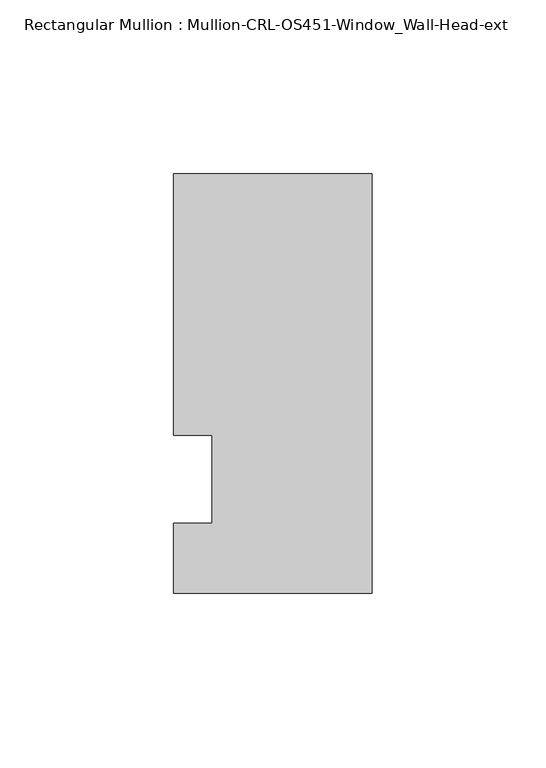
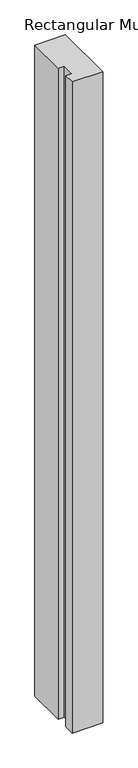
"""IFC4 building model written with IfcOpenShell, lengths in millimetres: member geometry, Rectangular Mullion : Mullion-CRL-OS451-Window_Wall-Head-ext."""

from ifc_helpers import new_model, si_unit, frame, origin, place, context, project, spatial, polyline, outline, extrude, source, transform, mapped, element, save


def rectangular_mullion_mullion_crl_os451_window_wall_head_ext_60bd685a(model_context):
    return source(origin(), model_context, "Body", "SweptSolid", [
        extrude(outline(polyline([(-57.1500484, 12.7), (-57.1500484, 87.8980886), (0.0, 87.8980886), (0.0, -32.9043114), (-57.1500484, -32.9043114), (-57.1500484, -12.7), (-46.0286759, -12.7), (-46.0286759, 12.7), (-57.1500484, 12.7)])), frame((0.0, 0.0, -1290.1083332), z_axis=(0.0, 0.0, 1.0), x_axis=(1.0, 0.0, 0.0)), (0.0, 0.0, 1.0), 1290.1083332),
    ])


if __name__ == "__main__":
    model = new_model("IFC4")
    model_context = context("Model", 3, world=origin())
    ifc_project = project(units=[si_unit("LENGTHUNIT", "METRE", prefix="MILLI")], contexts=[model_context])
    site = spatial("IfcSite", under=ifc_project)
    building = spatial("IfcBuilding", under=site)
    placement = place(None, origin())
    rectangular_mullion_mullion_crl_os451_window_wall_head_ext_shape = rectangular_mullion_mullion_crl_os451_window_wall_head_ext_60bd685a(model_context)
    element("IfcMember", 1, ObjectType="Rectangular Mullion : Mullion-CRL-OS451-Window_Wall-Head-ext", at=placement, inside=building, context=model_context, shape_type="MappedRepresentation", body=[
        mapped(rectangular_mullion_mullion_crl_os451_window_wall_head_ext_shape, transform((0.0, 0.0, 0.0), x_axis=(1.0, 0.0, 0.0), y_axis=(0.0, 1.0, 0.0), z_axis=(0.0, 0.0, 1.0))),
    ])
    save(model, "model.ifc")
